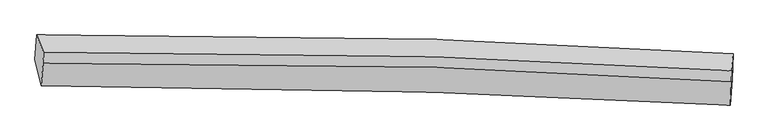
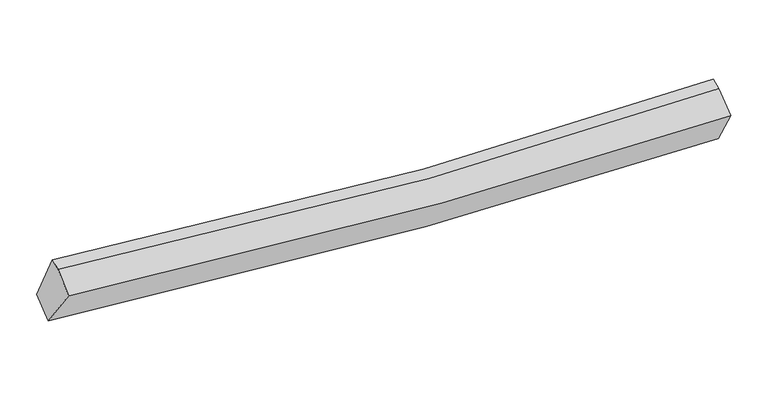
"""IFC4 building model written with IfcOpenShell, lengths in millimetres: proxy geometry."""

from ifc_helpers import new_model, si_unit, frame, origin, place, context, project, spatial, source, transform, mapped, element, save
from ifc_brep_helpers import plane_surface, spline_curve, spline_surface, advanced_brep


def generic_models_f6f4b8e6(model_context):
    return source(origin(), model_context, "Body", "AdvancedBrep", [
        advanced_brep(
        [(-4610.9291807, -1947.4221049, 2901.9818783), (-4587.5187623, -1607.3735426, 3093.1869123), (4995.8061301, -1866.7640959, 2711.46369), (4982.7536352, -2216.3890554, 2516.1666656), (-4524.6147793, -2305.4915932, 3473.5901932), (4958.6678462, -2572.6113915, 3094.894168), (-4498.0872336, -1994.3779068, 3684.1139073), (4970.1473279, -2251.8428352, 3309.8123175), (-4492.0868328, -1844.6012974, 3738.3034053), (4976.1477287, -2102.0662258, 3364.0018156)],
        [
            (0, 1),
            (1, 2, spline_curve(3, [(-4587.5187623, -1607.3735426, 3093.1869123), (-2774.56954536, -1589.383982206, 2839.083561715), (-960.486459347, -1609.52596505, 2688.277105498), (2234.433986427, -1712.091821018, 2604.656650101), (3614.792530833, -1778.413355841, 2628.222032308), (4995.8061301, -1866.7640959, 2711.46369)], [4, 2, 4], [0.0, 17.91906024095516, 31.53891426993963])),
            (2, 3),
            (3, 0, spline_curve(3, [(4982.7536352, -2216.3890554, 2516.1666656), (3601.594910486, -2140.015044756, 2462.825876091), (2220.510034531, -2079.902879955, 2456.503255811), (-977.438217449, -1978.360566885, 2550.74020281), (-2794.247613453, -1948.817082237, 2685.667893491), (-4610.9291807, -1947.4221049, 2901.9818783)], [4, 2, 4], [0.0, 13.61985402898447, 31.53891426993963])),
            (4, 0),
            (3, 5),
            (5, 4, spline_curve(3, [(4958.6678462, -2572.6113915, 3094.894168), (3590.368961892, -2496.88813932, 3041.928067075), (2223.4532753, -2437.260531462, 3035.375780578), (-938.651987251, -2336.455421305, 3127.681420845), (-2732.830509407, -2307.04309668, 3260.465715098), (-4524.6147793, -2305.4915932, 3473.5901932)], [4, 2, 4], [0.0, 13.544559235334251, 31.364557332130058])),
            (6, 4),
            (5, 7),
            (7, 6, spline_curve(3, [(4970.1473279, -2251.8428352, 3309.8123175), (3602.539895021, -2164.170499723, 3226.961265912), (2236.952490209, -2098.354107519, 3203.156460938), (-920.602244582, -1996.556773048, 3284.763561767), (-2711.093027379, -1976.551522622, 3433.335563138), (-4498.0872336, -1994.3779068, 3684.1139073)], [4, 2, 4], [0.0, 13.459640037322995, 31.16791357220066])),
            (8, 6),
            (7, 9),
            (9, 8, spline_curve(3, [(4976.1477287, -2102.0662258, 3364.0018156), (3608.540295929, -2014.3938904, 3281.15076404), (2242.952891042, -1948.577498093, 3257.345959278), (-914.601844057, -1846.780163683, 3338.953059551), (-2705.09262646, -1826.774913108, 3487.52506132), (-4492.0868328, -1844.6012974, 3738.3034053)], [4, 2, 4], [0.0, 13.453570443856524, 31.153858473843147])),
            (1, 8),
            (9, 2),
        ],
        [
            spline_surface(3, 3, [[(-4610.9291807, -1947.4221049, 2901.9818783), (-2794.247613628, -1948.817081996, 2685.667893476), (-977.438217514, -1978.360567062, 2550.740202636), (2220.51003458, -2079.902879821, 2456.503255943), (3601.59491046, -2140.01504492, 2462.825875867), (4982.7536352, -2216.3890554, 2516.1666656)], [(-4603.125707898, -1834.072584133, 2965.716889625), (-2787.688257496, -1829.00604874, 2736.806449454), (-971.787631391, -1855.41569978, 2596.5858369), (2225.151351827, -1957.29919355, 2505.887720705), (3605.994117332, -2019.481148543, 2517.957927945), (4987.104466851, -2099.847402235, 2581.265673731)], [(-4595.322235102, -1720.723063367, 3029.451900975), (-2781.12890137, -1709.195015484, 2787.945005459), (-966.137045294, -1732.470832431, 2642.431471122), (2229.792669046, -1834.695507213, 2555.272185425), (3610.39332415, -1898.94725216, 2573.089980032), (4991.455298449, -1983.305749065, 2646.364681869)], [(-4587.5187623, -1607.3735426, 3093.1869123), (-2774.569545237, -1589.383982228, 2839.083561437), (-960.486459171, -1609.525965149, 2688.277105386), (2234.433986293, -1712.091820943, 2604.656650187), (3614.792531021, -1778.413355783, 2628.22203211), (4995.8061301, -1866.7640959, 2711.46369)]], [4, 4], [4, 2, 4], [0.0, 1.2956679763275072], [0.0, 17.91906024095516, 31.53891426993963]),
            spline_surface(3, 3, [[(-4524.6147793, -2305.4915932, 3473.5901932), (-2732.830509143, -2307.043096796, 3260.4657151), (-938.651987237, -2336.455421483, 3127.681420594), (2223.453275289, -2437.260531327, 3035.375780769), (3590.368961906, -2496.8881394, 3041.928066864), (4958.6678462, -2572.6113915, 3094.894168)], [(-4553.386246425, -2186.135097114, 3283.054088224), (-2753.302877296, -2187.63442521, 3068.866441217), (-951.580730659, -2217.090470001, 2935.367681283), (2222.472195057, -2318.141314149, 2842.418272501), (3594.110944764, -2377.930441251, 2848.894003192), (4966.69644254, -2453.870612811, 2901.985000527)], [(-4582.157713575, -2066.778600986, 3092.517983276), (-2773.775245475, -2068.225753582, 2877.26716736), (-964.509474093, -2097.725518545, 2743.053941948), (2221.491114812, -2199.022096998, 2649.460764211), (3597.852927603, -2258.972743069, 2655.859939539), (4974.72503886, -2335.129834089, 2709.075833073)], [(-4610.9291807, -1947.4221049, 2901.9818783), (-2794.247613628, -1948.817081996, 2685.667893476), (-977.438217514, -1978.360567062, 2550.740202636), (2220.51003458, -2079.902879821, 2456.503255943), (3601.59491046, -2140.01504492, 2462.825875867), (4982.7536352, -2216.3890554, 2516.1666656)]], [4, 4], [4, 2, 4], [0.0, 2.230776192504373], [0.0, 17.819998096795807, 31.364557332130058]),
            spline_surface(3, 3, [[(-4498.0872336, -1994.3779068, 3684.1139073), (-2711.09302739, -1976.551522657, 3433.335563242), (-920.602244806, -1996.556773187, 3284.763561559), (2236.952490379, -2098.354107413, 3203.156461096), (3602.53989494, -2164.170499686, 3226.961266135), (4970.1473279, -2251.8428352, 3309.8123175)], [(-4506.929748825, -2098.08246893, 3613.939335951), (-2718.338854633, -2086.715380699, 3375.712280546), (-926.618825602, -2109.856322621, 3232.402847883), (2232.452752029, -2211.322915386, 3147.229567633), (3598.482917247, -2275.076379592, 3165.283533045), (4966.320833986, -2358.765687301, 3238.172934334)], [(-4515.772264075, -2201.78703107, 3543.764764549), (-2725.5846819, -2196.879238753, 3318.088997797), (-932.635406441, -2223.15587205, 3180.04213427), (2227.953013638, -2324.291723354, 3091.302674232), (3594.425939599, -2385.982259494, 3103.605799954), (4962.494340114, -2465.688539399, 3166.533551166)], [(-4524.6147793, -2305.4915932, 3473.5901932), (-2732.830509143, -2307.043096796, 3260.4657151), (-938.651987237, -2336.455421483, 3127.681420594), (2223.453275289, -2437.260531327, 3035.375780769), (3590.368961906, -2496.8881394, 3041.928066864), (4958.6678462, -2572.6113915, 3094.894168)]], [4, 4], [4, 2, 4], [0.0, 1.2340549679151323], [0.0, 17.708273534877666, 31.16791357220066]),
            spline_surface(3, 3, [[(-4492.0868328, -1844.6012974, 3738.3034053), (-2705.09262659, -1826.774913257, 3487.525061242), (-914.601844106, -1846.780163787, 3338.953059659), (2242.952891079, -1948.577498013, 3257.345959196), (3608.54029574, -2014.393890286, 3281.150764235), (4976.1477287, -2102.0662258, 3364.0018156)], [(-4494.086966395, -1894.526833874, 3720.240239283), (-2707.092760185, -1876.700449731, 3469.461895225), (-916.601977701, -1896.705700261, 3320.889893642), (2240.952757483, -1998.503034487, 3239.28279318), (3606.540162144, -2064.31942676, 3263.087598218), (4974.147595105, -2151.991762274, 3345.938649583)], [(-4496.087100005, -1944.452370326, 3702.177073317), (-2709.092893795, -1926.625986183, 3451.398729259), (-918.60211121, -1946.631236713, 3302.826727575), (2238.952623974, -2048.428570939, 3221.219627113), (3604.540028535, -2114.244963212, 3245.024432152), (4972.147461495, -2201.917298726, 3327.875483517)], [(-4498.0872336, -1994.3779068, 3684.1139073), (-2711.09302739, -1976.551522657, 3433.335563242), (-920.602244806, -1996.556773187, 3284.763561559), (2236.952490379, -2098.354107413, 3203.156461096), (3602.53989494, -2164.170499686, 3226.961266135), (4970.1473279, -2251.8428352, 3309.8123175)]], [4, 4], [4, 2, 4], [0.0, 0.5229368493919925], [0.0, 17.700288029986623, 31.153858473843147]),
            spline_surface(3, 3, [[(-4587.5187623, -1607.3735426, 3093.1869123), (-2774.569545237, -1589.383982228, 2839.083561437), (-960.486459171, -1609.525965149, 2688.277105386), (2234.433986293, -1712.091820943, 2604.656650187), (3614.792531021, -1778.413355783, 2628.22203211), (4995.8061301, -1866.7640959, 2711.46369)], [(-4555.708119156, -1686.449460849, 3308.225743317), (-2751.410572378, -1668.514292553, 3055.230728056), (-945.191587481, -1688.610698006, 2905.169090127), (2237.273621223, -1790.920379944, 2822.219753173), (3612.708452579, -1857.073533929, 2845.864942811), (4989.253329619, -1945.198139178, 2928.976398526)], [(-4523.897475944, -1765.525379151, 3523.264574283), (-2728.251599449, -1747.644602931, 3271.377894624), (-929.896715795, -1767.69543093, 3122.061074918), (2240.113256149, -1869.748939012, 3039.78285621), (3610.624374181, -1935.73371214, 3063.507853534), (4982.700529181, -2023.632182522, 3146.489107074)], [(-4492.0868328, -1844.6012974, 3738.3034053), (-2705.09262659, -1826.774913257, 3487.525061242), (-914.601844106, -1846.780163787, 3338.953059659), (2242.952891079, -1948.577498013, 3257.345959196), (3608.54029574, -2014.393890286, 3281.150764235), (4976.1477287, -2102.0662258, 3364.0018156)]], [4, 4], [4, 2, 4], [0.0, 2.2765145805501907], [0.0, 17.80786794918856, 31.3432073461195]),
            plane_surface(frame((4976.7045336, -2201.9347208, 2999.2677314), z_axis=(0.9988895306121688, -0.04503054548720515, 0.013854804456421572), x_axis=(-0.02971785186552662, -0.8303991985575058, -0.5563757905548647))),
            plane_surface(frame((-4542.6473577, -1939.853289, 3378.2352593), z_axis=(-0.9897832081222627, -0.011757222345004509, 0.1420949282765985), x_axis=(-0.059900736296051166, -0.8700895005282209, -0.4892403937347591))),
        ],
        [
            (0, [[1, 2, 3, 4]]),
            (1, [[5, -4, 6, 7]]),
            (2, [[8, -7, 9, 10]]),
            (3, [[11, -10, 12, 13]]),
            (4, [[14, -13, 15, -2]]),
            (5, [[-9, -6, -3, -15, -12]]),
            (6, [[-1, -5, -8, -11, -14]]),
        ],
    ),
    ])


if __name__ == "__main__":
    model = new_model("IFC4")
    model_context = context("Model", 3, world=origin())
    ifc_project = project(units=[si_unit("LENGTHUNIT", "METRE", prefix="MILLI")], contexts=[model_context])
    site = spatial("IfcSite", under=ifc_project)
    building = spatial("IfcBuilding", under=site)
    placement = place(None, origin())
    generic_models_shape = generic_models_f6f4b8e6(model_context)
    element("IfcBuildingElementProxy", 1, Name="Generic Models", at=placement, inside=building, context=model_context, shape_type="MappedRepresentation", body=[
        mapped(generic_models_shape, transform((0.0, 0.0, 0.0), x_axis=(1.0, 0.0, 0.0), y_axis=(0.0, 1.0, 0.0), z_axis=(0.0, 0.0, 1.0))),
    ])
    save(model, "model.ifc")
